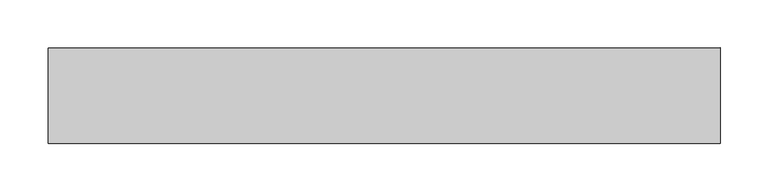
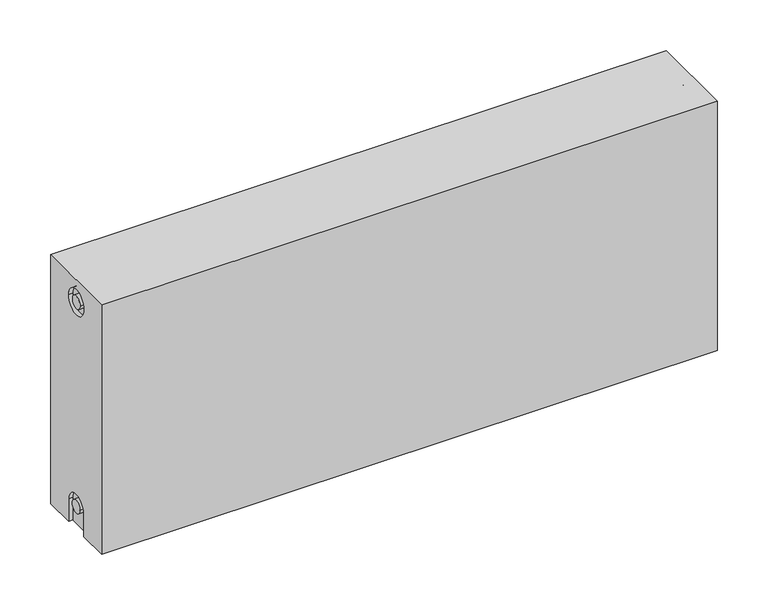
"""IFC4 building model written with IfcOpenShell, lengths in millimetres: proxy geometry."""

from ifc_helpers import new_model, si_unit, frame, origin, place, context, project, spatial, polyline, circle_curve, source, transform, mapped, element, save
from ifc_brep_helpers import plane_surface, cylinder_surface, revolved_surface, advanced_brep


def mechanical_equipment_e412a551(model_context):
    return source(origin(), model_context, "Body", "AdvancedBrep", [
        advanced_brep(
        [(700.0, 50.0, 300.0), (700.0, 50.0, 0.0), (0.0, 50.0, 0.0), (0.0, 50.0, 300.0), (700.0, -50.0, 300.0), (0.0, -50.0, 300.0), (0.0, -50.0, 0.0), (700.0, -50.0, 0.0), (700.0, -15.0, 0.0), (700.0, -15.0, 27.0), (700.0, 15.0, 27.0), (700.0, 15.0, 0.0), (700.0, 14.7242393, 273.0), (700.0, -15.2757607, 273.0), (700.0, -7.5, 27.0), (700.0, 7.5, 27.0), (700.0, 7.2242393, 273.0), (700.0, -7.7757607, 273.0), (695.0, 15.0, 0.0), (695.0, -15.0, 0.0), (0.0, -15.0, 0.0), (5.0, -15.0, 0.0), (5.0, 15.0, 0.0), (0.0, 15.0, 0.0), (0.0, 15.0, 27.0), (0.0, -15.0, 27.0), (0.0, -15.2757607, 273.0), (0.0, 14.7242393, 273.0), (0.0, -7.7757607, 273.0), (0.0, 7.2242393, 273.0), (0.0, 7.5682726, 27.0), (0.0, -7.4317274, 27.0), (5.0, -15.2757607, 273.0), (5.0, 14.7242393, 273.0), (5.0, -7.7757607, 273.0), (5.0, 7.2242393, 273.0), (5.0, -15.0, 27.0), (5.0, 15.0, 27.0), (5.0, -7.4317274, 27.0), (5.0, 7.5682726, 27.0), (695.0, 15.0, 27.0), (695.0, -15.0, 27.0), (695.0, -7.5, 27.0), (695.0, 7.5, 27.0), (695.0, -15.2757607, 273.0), (695.0, 14.7242393, 273.0), (695.0, -7.7757607, 273.0), (695.0, 7.2242393, 273.0)],
        [
            (0, 1),
            (1, 2),
            (2, 3),
            (3, 0),
            (4, 5),
            (5, 6),
            (6, 7),
            (7, 4),
            (0, 4),
            (7, 8),
            (8, 9),
            (9, 10, circle_curve(frame((700.0, 0.0, 27.0), z_axis=(-1.0, 0.0, 0.0), x_axis=(0.0, 1.0, 0.0)), 15.0)),
            (10, 11),
            (11, 1),
            (12, 13, circle_curve(frame((700.0, -0.2757607, 273.0), z_axis=(-1.0, 0.0, 0.0), x_axis=(0.0, 1.0, 0.0)), 15.0)),
            (13, 12, circle_curve(frame((700.0, -0.2757607, 273.0), z_axis=(-1.0, 0.0, 0.0), x_axis=(0.0, 1.0, 0.0)), 15.0)),
            (14, 15, circle_curve(frame((700.0, 0.0, 27.0), z_axis=(1.0, 0.0, 0.0), x_axis=(0.0, 1.0, 0.0)), 7.5)),
            (15, 14, circle_curve(frame((700.0, 0.0, 27.0), z_axis=(1.0, 0.0, 0.0), x_axis=(0.0, 1.0, 0.0)), 7.5)),
            (16, 17, circle_curve(frame((700.0, -0.2757607, 273.0), z_axis=(1.0, 0.0, 0.0), x_axis=(0.0, 1.0, 0.0)), 7.5)),
            (17, 16, circle_curve(frame((700.0, -0.2757607, 273.0), z_axis=(1.0, 0.0, 0.0), x_axis=(0.0, 1.0, 0.0)), 7.5)),
            (11, 18),
            (18, 19),
            (19, 8),
            (6, 20),
            (20, 21),
            (21, 22),
            (22, 23),
            (23, 2),
            (23, 24),
            (24, 25, circle_curve(frame((0.0, 0.0, 27.0), z_axis=(1.0, 0.0, 0.0), x_axis=(0.0, 1.0, 0.0)), 15.0)),
            (25, 20),
            (5, 3),
            (26, 27, circle_curve(frame((0.0, -0.2757607, 273.0), z_axis=(1.0, 0.0, 0.0), x_axis=(0.0, 1.0, 0.0)), 15.0)),
            (27, 26, circle_curve(frame((0.0, -0.2757607, 273.0), z_axis=(1.0, 0.0, 0.0), x_axis=(0.0, 1.0, 0.0)), 15.0)),
            (28, 29, circle_curve(frame((0.0, -0.2757607, 273.0), z_axis=(-1.0, 0.0, 0.0), x_axis=(0.0, 1.0, 0.0)), 7.5)),
            (29, 28, circle_curve(frame((0.0, -0.2757607, 273.0), z_axis=(-1.0, 0.0, 0.0), x_axis=(0.0, 1.0, 0.0)), 7.5)),
            (30, 31, circle_curve(frame((0.0, 0.0682726, 27.0), z_axis=(-1.0, 0.0, 0.0), x_axis=(0.0, 1.0, 0.0)), 7.5)),
            (31, 30, circle_curve(frame((0.0, 0.0682726, 27.0), z_axis=(-1.0, 0.0, 0.0), x_axis=(0.0, 1.0, 0.0)), 7.5)),
            (32, 33, circle_curve(frame((5.0, -0.2757607, 273.0), z_axis=(-1.0, 0.0, 0.0), x_axis=(0.0, 1.0, 0.0)), 15.0)),
            (33, 32, circle_curve(frame((5.0, -0.2757607, 273.0), z_axis=(-1.0, 0.0, 0.0), x_axis=(0.0, 1.0, 0.0)), 15.0)),
            (34, 35, circle_curve(frame((5.0, -0.2757607, 273.0), z_axis=(1.0, 0.0, 0.0), x_axis=(0.0, 1.0, 0.0)), 7.5)),
            (35, 34, circle_curve(frame((5.0, -0.2757607, 273.0), z_axis=(1.0, 0.0, 0.0), x_axis=(0.0, 1.0, 0.0)), 7.5)),
            (33, 27),
            (26, 32),
            (35, 29),
            (28, 34),
            (21, 36),
            (36, 37, circle_curve(frame((5.0, 0.0, 27.0), z_axis=(-1.0, 0.0, 0.0), x_axis=(0.0, 1.0, 0.0)), 15.0)),
            (37, 22),
            (38, 39, circle_curve(frame((5.0, 0.0682726, 27.0), z_axis=(1.0, 0.0, 0.0), x_axis=(0.0, 1.0, 0.0)), 7.5)),
            (39, 38, circle_curve(frame((5.0, 0.0682726, 27.0), z_axis=(1.0, 0.0, 0.0), x_axis=(0.0, 1.0, 0.0)), 7.5)),
            (38, 31),
            (30, 39),
            (37, 24),
            (36, 25),
            (18, 40),
            (40, 41, circle_curve(frame((695.0, 0.0, 27.0), z_axis=(1.0, 0.0, 0.0), x_axis=(0.0, 1.0, 0.0)), 15.0)),
            (41, 19),
            (42, 43, circle_curve(frame((695.0, 0.0, 27.0), z_axis=(-1.0, 0.0, 0.0), x_axis=(0.0, 1.0, 0.0)), 7.5)),
            (43, 42, circle_curve(frame((695.0, 0.0, 27.0), z_axis=(-1.0, 0.0, 0.0), x_axis=(0.0, 1.0, 0.0)), 7.5)),
            (43, 15),
            (14, 42),
            (10, 40),
            (9, 41),
            (44, 45, circle_curve(frame((695.0, -0.2757607, 273.0), z_axis=(1.0, 0.0, 0.0), x_axis=(0.0, 1.0, 0.0)), 15.0)),
            (45, 44, circle_curve(frame((695.0, -0.2757607, 273.0), z_axis=(1.0, 0.0, 0.0), x_axis=(0.0, 1.0, 0.0)), 15.0)),
            (46, 47, circle_curve(frame((695.0, -0.2757607, 273.0), z_axis=(-1.0, 0.0, 0.0), x_axis=(0.0, 1.0, 0.0)), 7.5)),
            (47, 46, circle_curve(frame((695.0, -0.2757607, 273.0), z_axis=(-1.0, 0.0, 0.0), x_axis=(0.0, 1.0, 0.0)), 7.5)),
            (44, 13),
            (12, 45),
            (46, 17),
            (16, 47),
        ],
        [
            plane_surface(frame((700.0, 50.0, 300.0), z_axis=(0.0, 1.0, 0.0), x_axis=(0.0, 0.0, -1.0))),
            plane_surface(frame((700.0, -50.0, 300.0), z_axis=(0.0, -1.0, 0.0), x_axis=(0.0, 0.0, 1.0))),
            plane_surface(frame((700.0, 50.0, 300.0), z_axis=(1.0, 0.0, 0.0), x_axis=(0.0, -1.0, 0.0))),
            plane_surface(frame((700.0, 50.0, 0.0), z_axis=(0.0, 0.0, -1.0), x_axis=(0.0, -1.0, 0.0))),
            plane_surface(frame((0.0, 50.0, 0.0), z_axis=(-1.0, 0.0, 0.0), x_axis=(0.0, -1.0, 0.0))),
            plane_surface(frame((0.0, 50.0, 300.0), z_axis=(0.0, 0.0, 1.0), x_axis=(0.0, -1.0, 0.0))),
            plane_surface(frame((5.0, 14.7242393, 273.0), z_axis=(-1.0, 0.0, 0.0), x_axis=(0.0, 0.0, 1.0))),
            revolved_surface(polyline([(5.0, 14.7242393, 273.0), (0.0, 14.7242393, 273.0)]), (0.0, -0.2757607, 273.0), (1.0, 0.0, 0.0)),
            cylinder_surface(frame((0.0, -0.2757607, 273.0), z_axis=(-1.0, 0.0, 0.0), x_axis=(0.0, 1.0, 0.0)), 7.5),
            plane_surface(frame((5.0, 7.5682726, 27.0), z_axis=(-1.0, 0.0, 0.0), x_axis=(0.0, 0.0, -1.0))),
            cylinder_surface(frame((0.0, 0.0682726, 27.0), z_axis=(-1.0, 0.0, 0.0), x_axis=(0.0, 1.0, 0.0)), 7.5),
            plane_surface(frame((5.0, 15.0, 0.0), z_axis=(0.0, -1.0, 0.0), x_axis=(-1.0, 0.0, 0.0))),
            revolved_surface(polyline([(5.0, 15.0, 27.0), (0.0, 15.0, 27.0)]), (0.0, 0.0, 27.0), (1.0, 0.0, 0.0)),
            plane_surface(frame((5.0, -15.0, 27.0), z_axis=(0.0, 1.0, 0.0), x_axis=(-1.0, 0.0, 0.0))),
            plane_surface(frame((695.0, 7.5, 27.0), z_axis=(1.0, 0.0, 0.0), x_axis=(0.0, 0.0, 1.0))),
            cylinder_surface(frame((695.0, 0.0, 27.0), z_axis=(-1.0, 0.0, 0.0), x_axis=(0.0, 1.0, 0.0)), 7.5),
            plane_surface(frame((700.0, 15.0, 0.0), z_axis=(0.0, -1.0, 0.0), x_axis=(-1.0, 0.0, 0.0))),
            revolved_surface(polyline([(700.0, 15.0, 27.0), (695.0, 15.0, 27.0)]), (895.0, 0.0, 27.0), (1.0, 0.0, 0.0)),
            plane_surface(frame((700.0, -15.0, 27.0), z_axis=(0.0, 1.0, 0.0), x_axis=(-1.0, 0.0, 0.0))),
            plane_surface(frame((695.0, 14.7242393, 273.0), z_axis=(1.0, 0.0, 0.0), x_axis=(0.0, 0.0, -1.0))),
            revolved_surface(polyline([(700.0, 14.7242393, 273.0), (695.0, 14.7242393, 273.0)]), (695.0, -0.2757607, 273.0), (1.0, 0.0, 0.0)),
            cylinder_surface(frame((895.0, -0.2757607, 273.0), z_axis=(-1.0, 0.0, 0.0), x_axis=(0.0, 1.0, 0.0)), 7.5),
        ],
        [
            (0, [[1, 2, 3, 4]]),
            (1, [[5, 6, 7, 8]]),
            (2, [[-1, 9, -8, 10, 11, 12, 13, 14], [15, 16]]),
            (2, [[17, 18]]),
            (2, [[19, 20]]),
            (3, [[-2, -14, 21, 22, 23, -10, -7, 24, 25, 26, 27, 28]]),
            (4, [[-3, -28, 29, 30, 31, -24, -6, 32], [33, 34]]),
            (4, [[35, 36]]),
            (4, [[37, 38]]),
            (5, [[-4, -32, -5, -9]]),
            (6, [[39, 40], [41, 42]]),
            (7, [[-40, 43, -33, 44]]),
            (7, [[-39, -44, -34, -43]]),
            (8, [[-42, 45, -35, 46]]),
            (8, [[-41, -46, -36, -45]]),
            (9, [[47, 48, 49, -26], [50, 51]]),
            (10, [[-50, 52, -37, 53]]),
            (10, [[-51, -53, -38, -52]]),
            (11, [[-49, 54, -29, -27]]),
            (12, [[-48, 55, -30, -54]]),
            (13, [[-47, -25, -31, -55]]),
            (14, [[56, 57, 58, -22], [59, 60]]),
            (15, [[-60, 61, -17, 62]]),
            (15, [[-59, -62, -18, -61]]),
            (16, [[-56, -21, -13, 63]]),
            (17, [[-57, -63, -12, 64]]),
            (18, [[-58, -64, -11, -23]]),
            (19, [[65, 66], [67, 68]]),
            (20, [[-65, 69, -15, 70]]),
            (20, [[-66, -70, -16, -69]]),
            (21, [[-67, 71, -19, 72]]),
            (21, [[-68, -72, -20, -71]]),
        ],
    ),
    ])


if __name__ == "__main__":
    model = new_model("IFC4")
    model_context = context("Model", 3, world=origin())
    ifc_project = project(units=[si_unit("LENGTHUNIT", "METRE", prefix="MILLI")], contexts=[model_context])
    site = spatial("IfcSite", under=ifc_project)
    building = spatial("IfcBuilding", under=site)
    placement = place(None, origin())
    mechanical_equipment_shape = mechanical_equipment_e412a551(model_context)
    element("IfcBuildingElementProxy", 1, Name="Mechanical Equipment", at=placement, inside=building, context=model_context, shape_type="MappedRepresentation", body=[
        mapped(mechanical_equipment_shape, transform((0.0, 0.0, 0.0), x_axis=(1.0, 0.0, 0.0), y_axis=(0.0, 1.0, 0.0), z_axis=(0.0, 0.0, 1.0))),
    ])
    save(model, "model.ifc")
